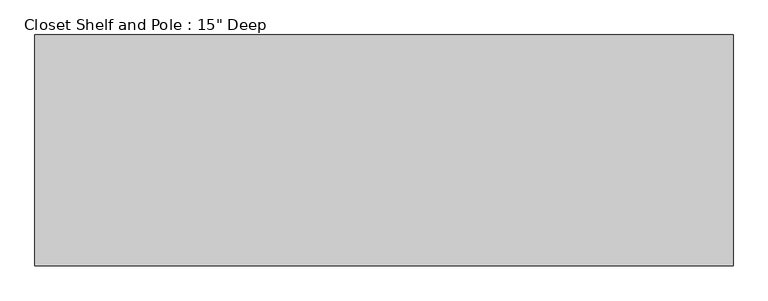
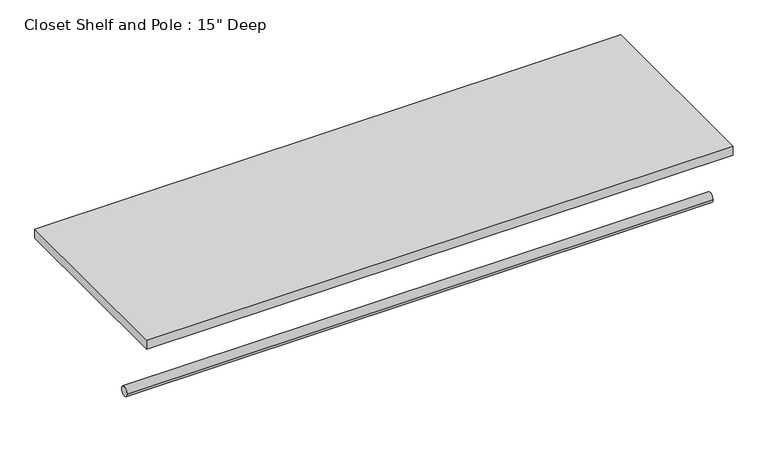
"""IFC4 building model written with IfcOpenShell, lengths in millimetres: proxy geometry."""

from ifc_helpers import new_model, si_unit, point, frame, frame_2d, origin, place, context, project, spatial, polyline, circle_curve, trimmed, segment, composite_curve, outline, extrude, source, transform, mapped, element, save


def proxy_22406303(model_context):
    return source(origin(), model_context, "Body", "SweptSolid", [
        extrude(outline(composite_curve([segment(trimmed(circle_curve(frame_2d((-304.8, 1676.4)), 9.525), [point((-314.325, 1676.4))], [point((-295.275, 1676.4))], False, "CARTESIAN"), True, "CONTINUOUS"), segment(trimmed(circle_curve(frame_2d((-304.8, 1676.4)), 9.525), [point((-295.275, 1676.4))], [point((-314.325, 1676.4))], False, "CARTESIAN"), True, "CONTINUOUS")], self_intersect=False)), frame((0.0, 0.0, 0.0), z_axis=(1.0, 0.0, 0.0), x_axis=(0.0, 1.0, 0.0)), (0.0, 0.0, 1.0), 1152.989781),
        extrude(outline(polyline([(1152.989781, 0.0), (1152.989781, -381.0), (0.0, -381.0), (0.0, 0.0), (1152.989781, 0.0)])), frame((0.0, 0.0, 1809.75), z_axis=(0.0, 0.0, 1.0), x_axis=(1.0, 0.0, 0.0)), (0.0, 0.0, 1.0), 19.05),
    ])


if __name__ == "__main__":
    model = new_model("IFC4")
    model_context = context("Model", 3, world=origin())
    ifc_project = project(units=[si_unit("LENGTHUNIT", "METRE", prefix="MILLI")], contexts=[model_context])
    site = spatial("IfcSite", under=ifc_project)
    building = spatial("IfcBuilding", under=site)
    placement = place(None, origin())
    proxy_shape = proxy_22406303(model_context)
    element("IfcBuildingElementProxy", 1, Name="Closet Shelf and Pole : 15\" Deep", ObjectType="Closet Shelf and Pole : 15\" Deep", at=placement, inside=building, context=model_context, shape_type="MappedRepresentation", body=[
        mapped(proxy_shape, transform((0.0, 0.0, 0.0), x_axis=(1.0, 0.0, 0.0), y_axis=(0.0, 1.0, 0.0), z_axis=(0.0, 0.0, 1.0))),
    ])
    save(model, "model.ifc")
